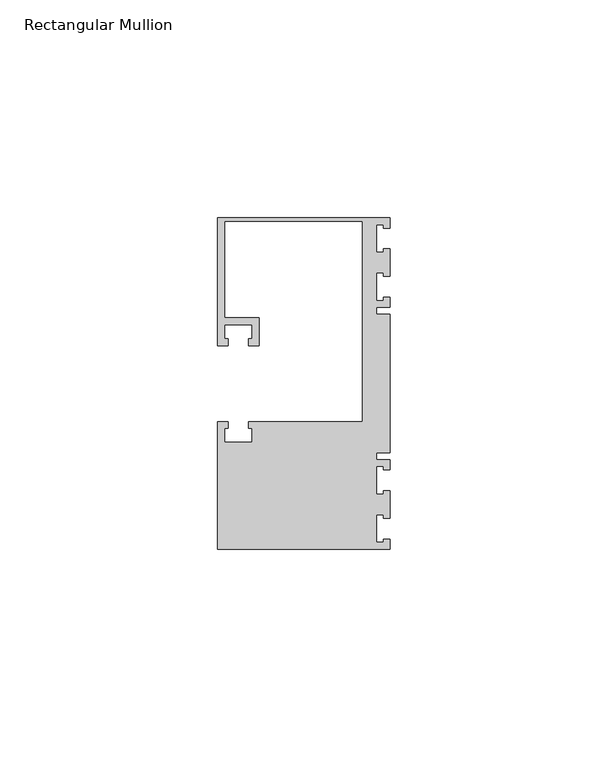
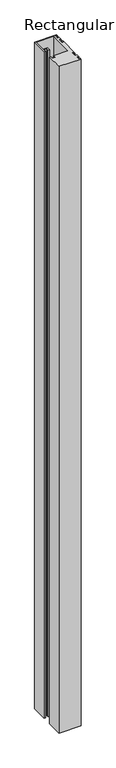
"""IFC4 building model written with IfcOpenShell, lengths in millimetres: member geometry, Rectangular Mullion."""

from ifc_helpers import new_model, si_unit, frame, origin, place, context, project, spatial, polyline, outline, extrude, source, transform, mapped, element, save


def rectangular_mullion_7f31a431(model_context):
    return source(origin(), model_context, "Body", "SweptSolid", [
        extrude(outline(polyline([(0.0, 38.1), (0.0, 35.71875), (-1.4999946, 35.71875), (-1.4999946, 36.5125), (-3.175, 36.5125), (-3.175, 30.1625), (-1.4999946, 30.1625), (-1.4999946, 30.95625), (0.0, 30.95625), (0.0, 24.60625), (-1.4999946, 24.60625), (-1.4999946, 25.4), (-3.175, 25.4), (-3.175, 19.05), (-1.4999946, 19.05), (-1.4999946, 19.84375), (0.0, 19.84375), (0.0, 17.4625), (-3.175, 17.4625), (-3.175, 15.875), (0.0, 15.875), (0.0, -15.875), (-3.175, -15.875), (-3.175, -17.4625), (0.0, -17.4625), (0.0, -19.84375), (-1.4999946, -19.84375), (-1.4999946, -19.05), (-3.175, -19.05), (-3.175, -25.4), (-1.4999946, -25.4), (-1.4999946, -24.60625), (0.0, -24.60625), (0.0, -30.95625), (-1.4999946, -30.95625), (-1.4999946, -30.1625), (-3.175, -30.1625), (-3.175, -36.5125), (-1.4999946, -36.5125), (-1.4999946, -35.71875), (0.0, -35.71875), (0.0, -38.1), (-39.6875, -38.1), (-39.6875, -8.73125), (-37.30625, -8.73125), (-37.30625, -10.31875), (-38.1, -10.31875), (-38.1, -13.49375), (-31.75, -13.49375), (-31.75, -10.31875), (-32.54375, -10.31875), (-32.54375, -8.73125), (-6.35, -8.73125), (-6.35, 37.30625), (-38.1, 37.30625), (-38.1, 15.08125), (-30.1625, 15.08125), (-30.1625, 8.73125), (-32.54375, 8.73125), (-32.54375, 10.31875), (-31.75, 10.31875), (-31.75, 13.49375), (-38.1, 13.49375), (-38.1, 10.31875), (-37.30625, 10.31875), (-37.30625, 8.73125), (-39.6875, 8.73125), (-39.6875, 38.1), (0.0, 38.1)])), frame((0.0, 0.0, -1270.0), z_axis=(0.0, 0.0, 1.0), x_axis=(1.0, 0.0, 0.0)), (0.0, 0.0, 1.0), 1270.0),
    ])


if __name__ == "__main__":
    model = new_model("IFC4")
    model_context = context("Model", 3, world=origin())
    ifc_project = project(units=[si_unit("LENGTHUNIT", "METRE", prefix="MILLI")], contexts=[model_context])
    site = spatial("IfcSite", under=ifc_project)
    building = spatial("IfcBuilding", under=site)
    placement = place(None, origin())
    rectangular_mullion_shape = rectangular_mullion_7f31a431(model_context)
    element("IfcMember", 1, ObjectType="Rectangular Mullion", at=placement, inside=building, context=model_context, shape_type="MappedRepresentation", body=[
        mapped(rectangular_mullion_shape, transform((0.0, 0.0, 0.0), x_axis=(1.0, 0.0, 0.0), y_axis=(0.0, 1.0, 0.0), z_axis=(0.0, 0.0, 1.0))),
    ])
    save(model, "model.ifc")
